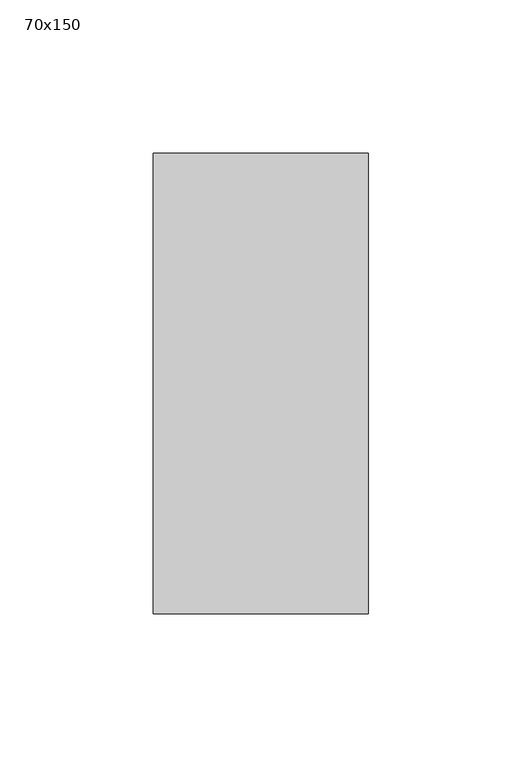
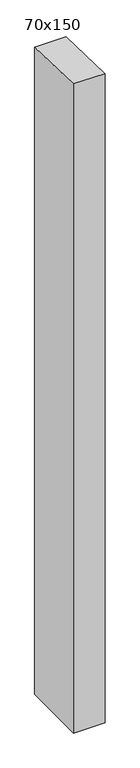
"""IFC4 building model written with IfcOpenShell, lengths in millimetres: member geometry, 70x150."""

from ifc_helpers import new_model, si_unit, frame, origin, place, context, project, spatial, polyline, outline, extrude, source, transform, mapped, element, save


def member_70x150_1eb180ff(model_context):
    return source(origin(), model_context, "Body", "SweptSolid", [
        extrude(outline(polyline([(-75.0, 2.4560751), (75.0, -2.4560751), (75.0, -1526.2365011), (-75.0, -1526.2365011), (-75.0, 2.4560751)])), frame((-70.0, 0.0, 0.0), z_axis=(1.0, 0.0, 0.0), x_axis=(0.0, 1.0, 0.0)), (0.0, 0.0, 1.0), 70.0),
    ])


if __name__ == "__main__":
    model = new_model("IFC4")
    model_context = context("Model", 3, world=origin())
    ifc_project = project(units=[si_unit("LENGTHUNIT", "METRE", prefix="MILLI")], contexts=[model_context])
    site = spatial("IfcSite", under=ifc_project)
    building = spatial("IfcBuilding", under=site)
    placement = place(None, origin())
    member_70x150_shape = member_70x150_1eb180ff(model_context)
    element("IfcMember", 1, ObjectType="70x150", at=placement, inside=building, context=model_context, shape_type="MappedRepresentation", body=[
        mapped(member_70x150_shape, transform((0.0, 0.0, 0.0), x_axis=(1.0, 0.0, 0.0), y_axis=(0.0, 1.0, 0.0), z_axis=(0.0, 0.0, 1.0))),
    ])
    save(model, "model.ifc")
